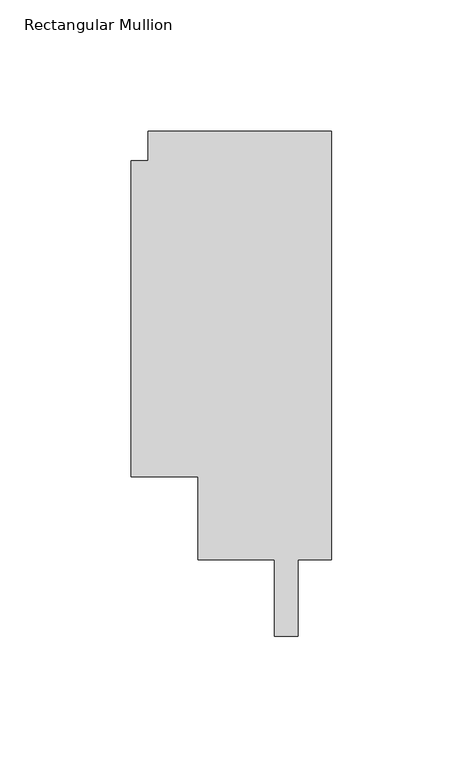
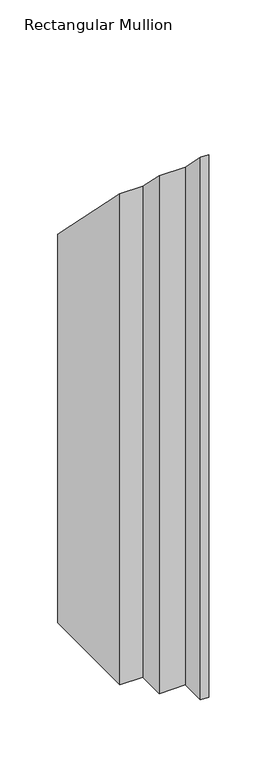
"""IFC4 building model written with IfcOpenShell, lengths in millimetres: member geometry, Rectangular Mullion."""

from ifc_helpers import new_model, si_unit, origin, place, context, project, spatial, faceted_brep, source, transform, mapped, element, save


def rectangular_mullion_9601efd4(model_context):
    return source(origin(), model_context, "Body", "Brep", [
        faceted_brep([(-69.85, 163.068, -609.56825), (0.0, 163.068, -609.56825), (0.0, 0.0, -609.56825), (-12.7082673, 0.0, -609.56825), (-12.7082673, -29.0594018, -609.56825), (-21.6998673, -29.0594018, -609.56825), (-21.6998673, 0.0, -609.56825), (-50.7999999, 0.0, -609.56825), (-50.7999999, 31.75, -609.56825), (-76.1999999, 31.75, -609.56825), (-76.1999999, 151.892, -609.56825), (-69.85, 151.892, -609.56825), (-69.85, 151.892, -151.892), (-69.85, 163.068, -163.068), (-76.1999999, 151.892, -151.892), (-76.1999999, 31.75, -31.75), (-50.7999999, 31.75, -31.75), (-50.7999999, 0.0, 0.0), (-21.6998673, 0.0, 0.0), (-21.6998673, -29.0594018, 29.0594018), (-12.7082673, -29.0594018, 29.0594018), (-12.7082673, 0.0, 0.0), (0.0, 0.0, 0.0), (0.0, 163.068, -163.068)], [[[0, 1, 2, 3, 4, 5, 6, 7, 8, 9, 10, 11]], [[12, 13, 0, 11]], [[14, 12, 11, 10]], [[15, 14, 10, 9]], [[16, 15, 9, 8]], [[17, 16, 8, 7]], [[18, 17, 7, 6]], [[19, 18, 6, 5]], [[20, 19, 5, 4]], [[21, 20, 4, 3]], [[22, 21, 3, 2]], [[23, 22, 2, 1]], [[13, 23, 1, 0]], [[13, 12, 14, 15, 16, 17, 18, 19, 20, 21, 22, 23]]]),
    ])


if __name__ == "__main__":
    model = new_model("IFC4")
    model_context = context("Model", 3, world=origin())
    ifc_project = project(units=[si_unit("LENGTHUNIT", "METRE", prefix="MILLI")], contexts=[model_context])
    site = spatial("IfcSite", under=ifc_project)
    building = spatial("IfcBuilding", under=site)
    placement = place(None, origin())
    rectangular_mullion_shape = rectangular_mullion_9601efd4(model_context)
    element("IfcMember", 1, ObjectType="Rectangular Mullion", at=placement, inside=building, context=model_context, shape_type="MappedRepresentation", body=[
        mapped(rectangular_mullion_shape, transform((0.0, 0.0, 0.0), x_axis=(1.0, 0.0, 0.0), y_axis=(0.0, 1.0, 0.0), z_axis=(0.0, 0.0, 1.0))),
    ])
    save(model, "model.ifc")
